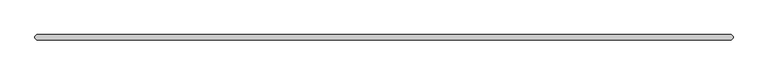
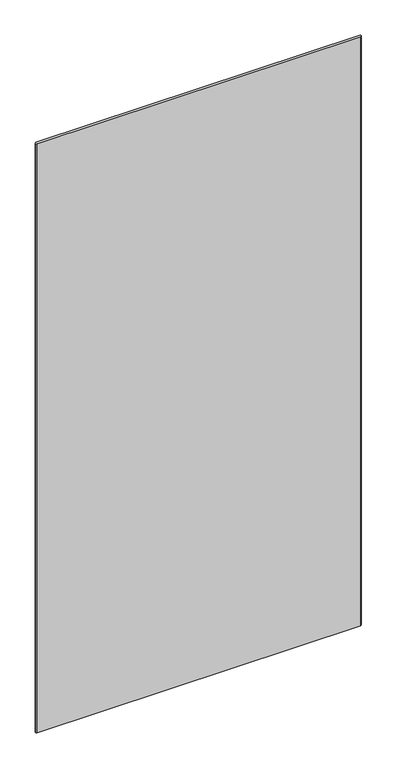
"""IFC4 building model written with IfcOpenShell, lengths in millimetres: plate geometry."""

from ifc_helpers import new_model, si_unit, origin, origin_with_axes, place, context, project, spatial, polyline, outline, extrude, source, transform, mapped, element, save


def plate_b0725da3(model_context):
    return source(origin(), model_context, "Body", "SweptSolid", [
        extrude(outline(polyline([(631.03125, -4.7625), (-631.03125, -4.7625), (-634.20625, -1.5875), (-634.20625, 1.5875), (-631.03125, 4.7625), (631.03125, 4.7625), (634.20625, 1.5875), (634.20625, -1.5875), (631.03125, -4.7625)])), origin_with_axes(), (0.0, 0.0, 1.0), 2427.1914267),
    ])


if __name__ == "__main__":
    model = new_model("IFC4")
    model_context = context("Model", 3, world=origin())
    ifc_project = project(units=[si_unit("LENGTHUNIT", "METRE", prefix="MILLI")], contexts=[model_context])
    site = spatial("IfcSite", under=ifc_project)
    building = spatial("IfcBuilding", under=site)
    placement = place(None, origin())
    plate_shape = plate_b0725da3(model_context)
    element("IfcPlate", 1, at=placement, inside=building, context=model_context, shape_type="MappedRepresentation", body=[
        mapped(plate_shape, transform((0.0, 0.0, 0.0), x_axis=(1.0, 0.0, 0.0), y_axis=(0.0, 1.0, 0.0), z_axis=(0.0, 0.0, 1.0))),
    ])
    save(model, "model.ifc")
